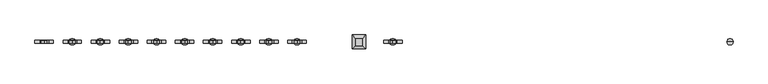
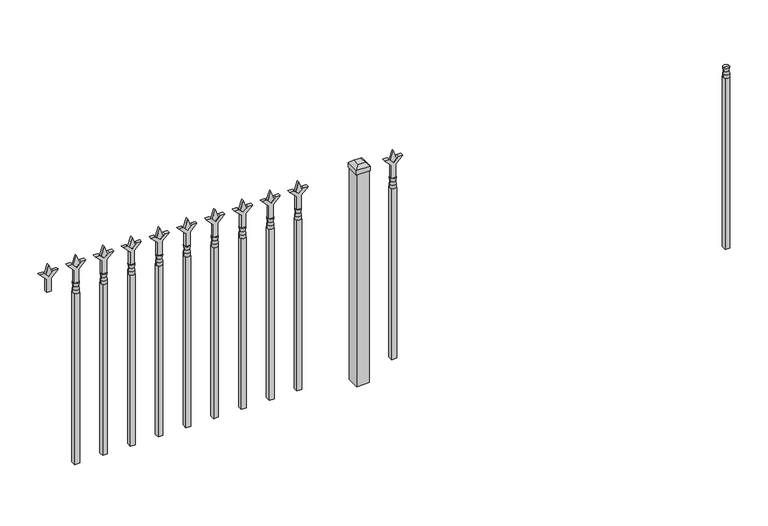
"""IFC4 building model written with IfcOpenShell, lengths in millimetres: railing geometry."""

from ifc_helpers import new_model, si_unit, frame, origin, place, context, project, spatial, polyline, circle_curve, outline, extrude, faceted_brep, source, transform, mapped, element, save
from ifc_brep_helpers import plane_surface, cylinder_surface, revolved_surface, advanced_brep


def railing_ffdeae70(model_context):
    return source(origin(), model_context, "Body", "SolidModel", [
        advanced_brep(
        [(2078.9387366, 7037.6199518, 12966.7), (2055.1262366, 7037.6199518, 12966.7), (2055.1262366, 7037.6199518, 12954.0), (2078.9387366, 7037.6199518, 12954.0), (2076.7334048, 7037.6199518, 12979.2070585), (2057.3315685, 7037.6199518, 12979.2070585), (2078.9387366, 7037.6199518, 12995.275), (2055.1262366, 7037.6199518, 12995.275), (2067.0324866, 7037.6199518, 12995.275), (2067.0324866, 7037.6199518, 12954.0)],
        [
            (0, 1, circle_curve(frame((2067.0324866, 7037.6199518, 12966.7), z_axis=(0.0, 0.0, -1.0), x_axis=(-1.0, 0.0, 0.0)), 11.90625)),
            (1, 2),
            (2, 3, circle_curve(frame((2067.0324866, 7037.6199518, 12954.0), z_axis=(0.0, 0.0, 1.0), x_axis=(-1.0, 0.0, 0.0)), 11.90625)),
            (3, 0),
            (1, 0, circle_curve(frame((2067.0324866, 7037.6199518, 12966.7), z_axis=(0.0, 0.0, -1.0), x_axis=(-1.0, 0.0, 0.0)), 11.90625)),
            (3, 2, circle_curve(frame((2067.0324866, 7037.6199518, 12954.0), z_axis=(0.0, 0.0, 1.0), x_axis=(-1.0, 0.0, 0.0)), 11.90625)),
            (4, 5, circle_curve(frame((2067.0324866, 7037.6199518, 12979.2070585), z_axis=(0.0, 0.0, -1.0), x_axis=(-1.0, 0.0, 0.0)), 9.7009181)),
            (5, 1),
            (0, 4),
            (5, 4, circle_curve(frame((2067.0324866, 7037.6199518, 12979.2070585), z_axis=(0.0, 0.0, -1.0), x_axis=(-1.0, 0.0, 0.0)), 9.7009181)),
            (6, 7, circle_curve(frame((2067.0324866, 7037.6199518, 12995.275), z_axis=(0.0, 0.0, -1.0), x_axis=(-1.0, 0.0, 0.0)), 11.90625)),
            (7, 5),
            (4, 6),
            (7, 6, circle_curve(frame((2067.0324866, 7037.6199518, 12995.275), z_axis=(0.0, 0.0, -1.0), x_axis=(-1.0, 0.0, 0.0)), 11.90625)),
            (8, 7),
            (6, 8),
            (2, 9),
            (9, 3),
        ],
        [
            cylinder_surface(frame((2067.0324866, 7037.6199518, 12954.0), z_axis=(0.0, 0.0, 1.0), x_axis=(-1.0, 0.0, 0.0)), 11.90625),
            revolved_surface(polyline([(2055.1262366, 7037.6199518, 12966.7), (2057.3315685, 7037.6199518, 12979.2070585)]), (2067.0324866, 7037.6199518, 12954.0), (0.0, 0.0, 1.0)),
            revolved_surface(polyline([(2057.3315685, 7037.6199518, 12979.2070585), (2055.1262366, 7037.6199518, 12995.275)]), (2067.0324866, 7037.6199518, 12954.0), (0.0, 0.0, 1.0)),
            plane_surface(frame((2067.0324866, 7037.6199518, 12995.275), z_axis=(0.0, 0.0, 1.0), x_axis=(-1.0, 0.0, 0.0))),
            plane_surface(frame((2067.0324866, 7037.6199518, 12954.0), z_axis=(0.0, 0.0, -1.0), x_axis=(-1.0, 0.0, 0.0))),
        ],
        [
            (0, [[1, 2, 3, 4]]),
            (0, [[5, -4, 6, -2]]),
            (1, [[7, 8, -1, 9]]),
            (1, [[10, -9, -5, -8]]),
            (2, [[11, 12, -7, 13]]),
            (2, [[14, -13, -10, -12]]),
            (3, [[15, -11, 16]]),
            (3, [[-16, -14, -15]]),
            (4, [[-3, 17, 18]]),
            (4, [[-6, -18, -17]]),
        ],
    ),
        extrude(outline(polyline([(2057.5074866, 7047.1449518), (2076.5574866, 7047.1449518), (2076.5574866, 7028.0949518), (2057.5074866, 7028.0949518), (2057.5074866, 7047.1449518)])), frame((0.0, 0.0, 12242.8), z_axis=(0.0, 0.0, 1.0), x_axis=(1.0, 0.0, 0.0)), (0.0, 0.0, 1.0), 711.2),
        extrude(outline(polyline([(13070.68125, 767.6637366), (13106.4, 755.7574866), (13070.68125, 743.8512366), (13058.775, 755.7574866), (13070.68125, 767.6637366)])), frame((0.0, 7032.8574518, 0.0), z_axis=(0.0, 1.0, 0.0), x_axis=(0.0, 0.0, 1.0)), (0.0, 0.0, 1.0), 9.525),
        extrude(outline(polyline([(12995.275, 764.4887366), (13049.5457378, 764.4887366), (13076.7355122, 791.6785111), (13076.7355122, 773.7179989), (13058.775, 755.7574866), (13076.7355122, 737.7969744), (13076.7355122, 719.8364621), (13049.5457378, 747.0262366), (12995.275, 747.0262366), (12995.275, 764.4887366)])), frame((0.0, 7031.2699518, 0.0), z_axis=(0.0, 1.0, 0.0), x_axis=(0.0, 0.0, 1.0)), (0.0, 0.0, 1.0), 12.7),
        advanced_brep(
        [(767.6637366, 7037.6199518, 12966.7), (743.8512366, 7037.6199518, 12966.7), (743.8512366, 7037.6199518, 12954.0), (767.6637366, 7037.6199518, 12954.0), (765.4584048, 7037.6199518, 12979.2070585), (746.0565685, 7037.6199518, 12979.2070585), (767.6637366, 7037.6199518, 12995.275), (743.8512366, 7037.6199518, 12995.275), (755.7574866, 7037.6199518, 12995.275), (755.7574866, 7037.6199518, 12954.0)],
        [
            (0, 1, circle_curve(frame((755.7574866, 7037.6199518, 12966.7), z_axis=(0.0, 0.0, -1.0), x_axis=(-1.0, 0.0, 0.0)), 11.90625)),
            (1, 2),
            (2, 3, circle_curve(frame((755.7574866, 7037.6199518, 12954.0), z_axis=(0.0, 0.0, 1.0), x_axis=(-1.0, 0.0, 0.0)), 11.90625)),
            (3, 0),
            (1, 0, circle_curve(frame((755.7574866, 7037.6199518, 12966.7), z_axis=(0.0, 0.0, -1.0), x_axis=(-1.0, 0.0, 0.0)), 11.90625)),
            (3, 2, circle_curve(frame((755.7574866, 7037.6199518, 12954.0), z_axis=(0.0, 0.0, 1.0), x_axis=(-1.0, 0.0, 0.0)), 11.90625)),
            (4, 5, circle_curve(frame((755.7574866, 7037.6199518, 12979.2070585), z_axis=(0.0, 0.0, -1.0), x_axis=(-1.0, 0.0, 0.0)), 9.7009181)),
            (5, 1),
            (0, 4),
            (5, 4, circle_curve(frame((755.7574866, 7037.6199518, 12979.2070585), z_axis=(0.0, 0.0, -1.0), x_axis=(-1.0, 0.0, 0.0)), 9.7009181)),
            (6, 7, circle_curve(frame((755.7574866, 7037.6199518, 12995.275), z_axis=(0.0, 0.0, -1.0), x_axis=(-1.0, 0.0, 0.0)), 11.90625)),
            (7, 5),
            (4, 6),
            (7, 6, circle_curve(frame((755.7574866, 7037.6199518, 12995.275), z_axis=(0.0, 0.0, -1.0), x_axis=(-1.0, 0.0, 0.0)), 11.90625)),
            (8, 7),
            (6, 8),
            (2, 9),
            (9, 3),
        ],
        [
            cylinder_surface(frame((755.7574866, 7037.6199518, 12954.0), z_axis=(0.0, 0.0, 1.0), x_axis=(-1.0, 0.0, 0.0)), 11.90625),
            revolved_surface(polyline([(743.8512366, 7037.6199518, 12966.7), (746.0565685, 7037.6199518, 12979.2070585)]), (755.7574866, 7037.6199518, 12954.0), (0.0, 0.0, 1.0)),
            revolved_surface(polyline([(746.0565685, 7037.6199518, 12979.2070585), (743.8512366, 7037.6199518, 12995.275)]), (755.7574866, 7037.6199518, 12954.0), (0.0, 0.0, 1.0)),
            plane_surface(frame((755.7574866, 7037.6199518, 12995.275), z_axis=(0.0, 0.0, 1.0), x_axis=(-1.0, 0.0, 0.0))),
            plane_surface(frame((755.7574866, 7037.6199518, 12954.0), z_axis=(0.0, 0.0, -1.0), x_axis=(-1.0, 0.0, 0.0))),
        ],
        [
            (0, [[1, 2, 3, 4]]),
            (0, [[5, -4, 6, -2]]),
            (1, [[7, 8, -1, 9]]),
            (1, [[10, -9, -5, -8]]),
            (2, [[11, 12, -7, 13]]),
            (2, [[14, -13, -10, -12]]),
            (3, [[15, -11, 16]]),
            (3, [[-16, -14, -15]]),
            (4, [[-3, 17, 18]]),
            (4, [[-6, -18, -17]]),
        ],
    ),
        extrude(outline(polyline([(746.2324866, 7047.1449518), (765.2824866, 7047.1449518), (765.2824866, 7028.0949518), (746.2324866, 7028.0949518), (746.2324866, 7047.1449518)])), frame((0.0, 0.0, 12242.8), z_axis=(0.0, 0.0, 1.0), x_axis=(1.0, 0.0, 0.0)), (0.0, 0.0, 1.0), 711.2),
        faceted_brep([(597.0074866, 7064.6074518, 13093.7), (597.0074866, 7064.6074518, 13074.65), (597.0074866, 7010.6324518, 13074.65), (597.0074866, 7010.6324518, 13093.7), (609.7074866, 7051.9074518, 13106.4), (609.7074866, 7023.3324518, 13106.4), (650.9824866, 7010.6324518, 13074.65), (650.9824866, 7010.6324518, 13093.7), (638.2824866, 7023.3324518, 13106.4), (650.9824866, 7064.6074518, 13074.65), (650.9824866, 7064.6074518, 13093.7), (638.2824866, 7051.9074518, 13106.4)], [[[0, 1, 2, 3]], [[4, 0, 3, 5]], [[3, 2, 6, 7]], [[5, 3, 7, 8]], [[7, 6, 9, 10]], [[8, 7, 10, 11]], [[10, 9, 1, 0]], [[11, 10, 0, 4]], [[5, 8, 11, 4]], [[1, 9, 6, 2]]]),
        extrude(outline(polyline([(649.3949866, 7063.0199518), (649.3949866, 7012.2199518), (598.5949866, 7012.2199518), (598.5949866, 7063.0199518), (649.3949866, 7063.0199518)])), frame((0.0, 0.0, 12192.0), z_axis=(0.0, 0.0, 1.0), x_axis=(1.0, 0.0, 0.0)), (0.0, 0.0, 1.0), 882.65),
        extrude(outline(polyline([(13070.68125, 394.86582), (13106.4, 382.95957), (13070.68125, 371.05332), (13058.775, 382.95957), (13070.68125, 394.86582)])), frame((0.0, 7032.8574518, 0.0), z_axis=(0.0, 1.0, 0.0), x_axis=(0.0, 0.0, 1.0)), (0.0, 0.0, 1.0), 9.525),
        extrude(outline(polyline([(12995.275, 391.69082), (13049.5457378, 391.69082), (13076.7355122, 418.8805944), (13076.7355122, 400.9200822), (13058.775, 382.95957), (13076.7355122, 364.9990577), (13076.7355122, 347.0385455), (13049.5457378, 374.22832), (12995.275, 374.22832), (12995.275, 391.69082)])), frame((0.0, 7031.2699518, 0.0), z_axis=(0.0, 1.0, 0.0), x_axis=(0.0, 0.0, 1.0)), (0.0, 0.0, 1.0), 12.7),
        advanced_brep(
        [(394.86582, 7037.6199518, 12966.7), (371.05332, 7037.6199518, 12966.7), (371.05332, 7037.6199518, 12954.0), (394.86582, 7037.6199518, 12954.0), (392.6604881, 7037.6199518, 12979.2070585), (373.2586518, 7037.6199518, 12979.2070585), (394.86582, 7037.6199518, 12995.275), (371.05332, 7037.6199518, 12995.275), (382.95957, 7037.6199518, 12995.275), (382.95957, 7037.6199518, 12954.0)],
        [
            (0, 1, circle_curve(frame((382.95957, 7037.6199518, 12966.7), z_axis=(0.0, 0.0, -1.0), x_axis=(-1.0, 0.0, 0.0)), 11.90625)),
            (1, 2),
            (2, 3, circle_curve(frame((382.95957, 7037.6199518, 12954.0), z_axis=(0.0, 0.0, 1.0), x_axis=(-1.0, 0.0, 0.0)), 11.90625)),
            (3, 0),
            (1, 0, circle_curve(frame((382.95957, 7037.6199518, 12966.7), z_axis=(0.0, 0.0, -1.0), x_axis=(-1.0, 0.0, 0.0)), 11.90625)),
            (3, 2, circle_curve(frame((382.95957, 7037.6199518, 12954.0), z_axis=(0.0, 0.0, 1.0), x_axis=(-1.0, 0.0, 0.0)), 11.90625)),
            (4, 5, circle_curve(frame((382.95957, 7037.6199518, 12979.2070585), z_axis=(0.0, 0.0, -1.0), x_axis=(-1.0, 0.0, 0.0)), 9.7009181)),
            (5, 1),
            (0, 4),
            (5, 4, circle_curve(frame((382.95957, 7037.6199518, 12979.2070585), z_axis=(0.0, 0.0, -1.0), x_axis=(-1.0, 0.0, 0.0)), 9.7009181)),
            (6, 7, circle_curve(frame((382.95957, 7037.6199518, 12995.275), z_axis=(0.0, 0.0, -1.0), x_axis=(-1.0, 0.0, 0.0)), 11.90625)),
            (7, 5),
            (4, 6),
            (7, 6, circle_curve(frame((382.95957, 7037.6199518, 12995.275), z_axis=(0.0, 0.0, -1.0), x_axis=(-1.0, 0.0, 0.0)), 11.90625)),
            (8, 7),
            (6, 8),
            (2, 9),
            (9, 3),
        ],
        [
            cylinder_surface(frame((382.95957, 7037.6199518, 12954.0), z_axis=(0.0, 0.0, 1.0), x_axis=(-1.0, 0.0, 0.0)), 11.90625),
            revolved_surface(polyline([(371.05332, 7037.6199518, 12966.7), (373.2586518, 7037.6199518, 12979.2070585)]), (382.95957, 7037.6199518, 12954.0), (0.0, 0.0, 1.0)),
            revolved_surface(polyline([(373.2586518, 7037.6199518, 12979.2070585), (371.05332, 7037.6199518, 12995.275)]), (382.95957, 7037.6199518, 12954.0), (0.0, 0.0, 1.0)),
            plane_surface(frame((382.95957, 7037.6199518, 12995.275), z_axis=(0.0, 0.0, 1.0), x_axis=(-1.0, 0.0, 0.0))),
            plane_surface(frame((382.95957, 7037.6199518, 12954.0), z_axis=(0.0, 0.0, -1.0), x_axis=(-1.0, 0.0, 0.0))),
        ],
        [
            (0, [[1, 2, 3, 4]]),
            (0, [[5, -4, 6, -2]]),
            (1, [[7, 8, -1, 9]]),
            (1, [[10, -9, -5, -8]]),
            (2, [[11, 12, -7, 13]]),
            (2, [[14, -13, -10, -12]]),
            (3, [[15, -11, 16]]),
            (3, [[-16, -14, -15]]),
            (4, [[-3, 17, 18]]),
            (4, [[-6, -18, -17]]),
        ],
    ),
        extrude(outline(polyline([(373.43457, 7047.1449518), (392.48457, 7047.1449518), (392.48457, 7028.0949518), (373.43457, 7028.0949518), (373.43457, 7047.1449518)])), frame((0.0, 0.0, 12242.8), z_axis=(0.0, 0.0, 1.0), x_axis=(1.0, 0.0, 0.0)), (0.0, 0.0, 1.0), 711.2),
        extrude(outline(polyline([(13070.68125, 285.5929033), (13106.4, 273.6866533), (13070.68125, 261.7804033), (13058.775, 273.6866533), (13070.68125, 285.5929033)])), frame((0.0, 7032.8574518, 0.0), z_axis=(0.0, 1.0, 0.0), x_axis=(0.0, 0.0, 1.0)), (0.0, 0.0, 1.0), 9.525),
        extrude(outline(polyline([(12995.275, 282.4179033), (13049.5457378, 282.4179033), (13076.7355122, 309.6076778), (13076.7355122, 291.6471655), (13058.775, 273.6866533), (13076.7355122, 255.726141), (13076.7355122, 237.7656288), (13049.5457378, 264.9554033), (12995.275, 264.9554033), (12995.275, 282.4179033)])), frame((0.0, 7031.2699518, 0.0), z_axis=(0.0, 1.0, 0.0), x_axis=(0.0, 0.0, 1.0)), (0.0, 0.0, 1.0), 12.7),
        advanced_brep(
        [(285.5929033, 7037.6199518, 12966.7), (261.7804033, 7037.6199518, 12966.7), (261.7804033, 7037.6199518, 12954.0), (285.5929033, 7037.6199518, 12954.0), (283.3875714, 7037.6199518, 12979.2070585), (263.9857351, 7037.6199518, 12979.2070585), (285.5929033, 7037.6199518, 12995.275), (261.7804033, 7037.6199518, 12995.275), (273.6866533, 7037.6199518, 12995.275), (273.6866533, 7037.6199518, 12954.0)],
        [
            (0, 1, circle_curve(frame((273.6866533, 7037.6199518, 12966.7), z_axis=(0.0, 0.0, -1.0), x_axis=(-1.0, 0.0, 0.0)), 11.90625)),
            (1, 2),
            (2, 3, circle_curve(frame((273.6866533, 7037.6199518, 12954.0), z_axis=(0.0, 0.0, 1.0), x_axis=(-1.0, 0.0, 0.0)), 11.90625)),
            (3, 0),
            (1, 0, circle_curve(frame((273.6866533, 7037.6199518, 12966.7), z_axis=(0.0, 0.0, -1.0), x_axis=(-1.0, 0.0, 0.0)), 11.90625)),
            (3, 2, circle_curve(frame((273.6866533, 7037.6199518, 12954.0), z_axis=(0.0, 0.0, 1.0), x_axis=(-1.0, 0.0, 0.0)), 11.90625)),
            (4, 5, circle_curve(frame((273.6866533, 7037.6199518, 12979.2070585), z_axis=(0.0, 0.0, -1.0), x_axis=(-1.0, 0.0, 0.0)), 9.7009181)),
            (5, 1),
            (0, 4),
            (5, 4, circle_curve(frame((273.6866533, 7037.6199518, 12979.2070585), z_axis=(0.0, 0.0, -1.0), x_axis=(-1.0, 0.0, 0.0)), 9.7009181)),
            (6, 7, circle_curve(frame((273.6866533, 7037.6199518, 12995.275), z_axis=(0.0, 0.0, -1.0), x_axis=(-1.0, 0.0, 0.0)), 11.90625)),
            (7, 5),
            (4, 6),
            (7, 6, circle_curve(frame((273.6866533, 7037.6199518, 12995.275), z_axis=(0.0, 0.0, -1.0), x_axis=(-1.0, 0.0, 0.0)), 11.90625)),
            (8, 7),
            (6, 8),
            (2, 9),
            (9, 3),
        ],
        [
            cylinder_surface(frame((273.6866533, 7037.6199518, 12954.0), z_axis=(0.0, 0.0, 1.0), x_axis=(-1.0, 0.0, 0.0)), 11.90625),
            revolved_surface(polyline([(261.7804033, 7037.6199518, 12966.7), (263.9857351, 7037.6199518, 12979.2070585)]), (273.6866533, 7037.6199518, 12954.0), (0.0, 0.0, 1.0)),
            revolved_surface(polyline([(263.9857351, 7037.6199518, 12979.2070585), (261.7804033, 7037.6199518, 12995.275)]), (273.6866533, 7037.6199518, 12954.0), (0.0, 0.0, 1.0)),
            plane_surface(frame((273.6866533, 7037.6199518, 12995.275), z_axis=(0.0, 0.0, 1.0), x_axis=(-1.0, 0.0, 0.0))),
            plane_surface(frame((273.6866533, 7037.6199518, 12954.0), z_axis=(0.0, 0.0, -1.0), x_axis=(-1.0, 0.0, 0.0))),
        ],
        [
            (0, [[1, 2, 3, 4]]),
            (0, [[5, -4, 6, -2]]),
            (1, [[7, 8, -1, 9]]),
            (1, [[10, -9, -5, -8]]),
            (2, [[11, 12, -7, 13]]),
            (2, [[14, -13, -10, -12]]),
            (3, [[15, -11, 16]]),
            (3, [[-16, -14, -15]]),
            (4, [[-3, 17, 18]]),
            (4, [[-6, -18, -17]]),
        ],
    ),
        extrude(outline(polyline([(264.1616533, 7047.1449518), (283.2116533, 7047.1449518), (283.2116533, 7028.0949518), (264.1616533, 7028.0949518), (264.1616533, 7047.1449518)])), frame((0.0, 0.0, 12242.8), z_axis=(0.0, 0.0, 1.0), x_axis=(1.0, 0.0, 0.0)), (0.0, 0.0, 1.0), 711.2),
        extrude(outline(polyline([(13070.68125, 176.3199866), (13106.4, 164.4137366), (13070.68125, 152.5074866), (13058.775, 164.4137366), (13070.68125, 176.3199866)])), frame((0.0, 7032.8574518, 0.0), z_axis=(0.0, 1.0, 0.0), x_axis=(0.0, 0.0, 1.0)), (0.0, 0.0, 1.0), 9.525),
        extrude(outline(polyline([(12995.275, 173.1449866), (13049.5457378, 173.1449866), (13076.7355122, 200.3347611), (13076.7355122, 182.3742489), (13058.775, 164.4137366), (13076.7355122, 146.4532244), (13076.7355122, 128.4927121), (13049.5457378, 155.6824866), (12995.275, 155.6824866), (12995.275, 173.1449866)])), frame((0.0, 7031.2699518, 0.0), z_axis=(0.0, 1.0, 0.0), x_axis=(0.0, 0.0, 1.0)), (0.0, 0.0, 1.0), 12.7),
        advanced_brep(
        [(176.3199866, 7037.6199518, 12966.7), (152.5074866, 7037.6199518, 12966.7), (152.5074866, 7037.6199518, 12954.0), (176.3199866, 7037.6199518, 12954.0), (174.1146548, 7037.6199518, 12979.2070585), (154.7128185, 7037.6199518, 12979.2070585), (176.3199866, 7037.6199518, 12995.275), (152.5074866, 7037.6199518, 12995.275), (164.4137366, 7037.6199518, 12995.275), (164.4137366, 7037.6199518, 12954.0)],
        [
            (0, 1, circle_curve(frame((164.4137366, 7037.6199518, 12966.7), z_axis=(0.0, 0.0, -1.0), x_axis=(-1.0, 0.0, 0.0)), 11.90625)),
            (1, 2),
            (2, 3, circle_curve(frame((164.4137366, 7037.6199518, 12954.0), z_axis=(0.0, 0.0, 1.0), x_axis=(-1.0, 0.0, 0.0)), 11.90625)),
            (3, 0),
            (1, 0, circle_curve(frame((164.4137366, 7037.6199518, 12966.7), z_axis=(0.0, 0.0, -1.0), x_axis=(-1.0, 0.0, 0.0)), 11.90625)),
            (3, 2, circle_curve(frame((164.4137366, 7037.6199518, 12954.0), z_axis=(0.0, 0.0, 1.0), x_axis=(-1.0, 0.0, 0.0)), 11.90625)),
            (4, 5, circle_curve(frame((164.4137366, 7037.6199518, 12979.2070585), z_axis=(0.0, 0.0, -1.0), x_axis=(-1.0, 0.0, 0.0)), 9.7009181)),
            (5, 1),
            (0, 4),
            (5, 4, circle_curve(frame((164.4137366, 7037.6199518, 12979.2070585), z_axis=(0.0, 0.0, -1.0), x_axis=(-1.0, 0.0, 0.0)), 9.7009181)),
            (6, 7, circle_curve(frame((164.4137366, 7037.6199518, 12995.275), z_axis=(0.0, 0.0, -1.0), x_axis=(-1.0, 0.0, 0.0)), 11.90625)),
            (7, 5),
            (4, 6),
            (7, 6, circle_curve(frame((164.4137366, 7037.6199518, 12995.275), z_axis=(0.0, 0.0, -1.0), x_axis=(-1.0, 0.0, 0.0)), 11.90625)),
            (8, 7),
            (6, 8),
            (2, 9),
            (9, 3),
        ],
        [
            cylinder_surface(frame((164.4137366, 7037.6199518, 12954.0), z_axis=(0.0, 0.0, 1.0), x_axis=(-1.0, 0.0, 0.0)), 11.90625),
            revolved_surface(polyline([(152.5074866, 7037.6199518, 12966.7), (154.7128185, 7037.6199518, 12979.2070585)]), (164.4137366, 7037.6199518, 12954.0), (0.0, 0.0, 1.0)),
            revolved_surface(polyline([(154.7128185, 7037.6199518, 12979.2070585), (152.5074866, 7037.6199518, 12995.275)]), (164.4137366, 7037.6199518, 12954.0), (0.0, 0.0, 1.0)),
            plane_surface(frame((164.4137366, 7037.6199518, 12995.275), z_axis=(0.0, 0.0, 1.0), x_axis=(-1.0, 0.0, 0.0))),
            plane_surface(frame((164.4137366, 7037.6199518, 12954.0), z_axis=(0.0, 0.0, -1.0), x_axis=(-1.0, 0.0, 0.0))),
        ],
        [
            (0, [[1, 2, 3, 4]]),
            (0, [[5, -4, 6, -2]]),
            (1, [[7, 8, -1, 9]]),
            (1, [[10, -9, -5, -8]]),
            (2, [[11, 12, -7, 13]]),
            (2, [[14, -13, -10, -12]]),
            (3, [[15, -11, 16]]),
            (3, [[-16, -14, -15]]),
            (4, [[-3, 17, 18]]),
            (4, [[-6, -18, -17]]),
        ],
    ),
        extrude(outline(polyline([(154.8887366, 7047.1449518), (173.9387366, 7047.1449518), (173.9387366, 7028.0949518), (154.8887366, 7028.0949518), (154.8887366, 7047.1449518)])), frame((0.0, 0.0, 12242.8), z_axis=(0.0, 0.0, 1.0), x_axis=(1.0, 0.0, 0.0)), (0.0, 0.0, 1.0), 711.2),
        extrude(outline(polyline([(13070.68125, 67.04707), (13106.4, 55.14082), (13070.68125, 43.23457), (13058.775, 55.14082), (13070.68125, 67.04707)])), frame((0.0, 7032.8574518, 0.0), z_axis=(0.0, 1.0, 0.0), x_axis=(0.0, 0.0, 1.0)), (0.0, 0.0, 1.0), 9.525),
        extrude(outline(polyline([(12995.275, 63.87207), (13049.5457378, 63.87207), (13076.7355122, 91.0618444), (13076.7355122, 73.1013322), (13058.775, 55.14082), (13076.7355122, 37.1803077), (13076.7355122, 19.2197955), (13049.5457378, 46.40957), (12995.275, 46.40957), (12995.275, 63.87207)])), frame((0.0, 7031.2699518, 0.0), z_axis=(0.0, 1.0, 0.0), x_axis=(0.0, 0.0, 1.0)), (0.0, 0.0, 1.0), 12.7),
        advanced_brep(
        [(67.04707, 7037.6199518, 12966.7), (43.23457, 7037.6199518, 12966.7), (43.23457, 7037.6199518, 12954.0), (67.04707, 7037.6199518, 12954.0), (64.8417381, 7037.6199518, 12979.2070585), (45.4399018, 7037.6199518, 12979.2070585), (67.04707, 7037.6199518, 12995.275), (43.23457, 7037.6199518, 12995.275), (55.14082, 7037.6199518, 12995.275), (55.14082, 7037.6199518, 12954.0)],
        [
            (0, 1, circle_curve(frame((55.14082, 7037.6199518, 12966.7), z_axis=(0.0, 0.0, -1.0), x_axis=(-1.0, 0.0, 0.0)), 11.90625)),
            (1, 2),
            (2, 3, circle_curve(frame((55.14082, 7037.6199518, 12954.0), z_axis=(0.0, 0.0, 1.0), x_axis=(-1.0, 0.0, 0.0)), 11.90625)),
            (3, 0),
            (1, 0, circle_curve(frame((55.14082, 7037.6199518, 12966.7), z_axis=(0.0, 0.0, -1.0), x_axis=(-1.0, 0.0, 0.0)), 11.90625)),
            (3, 2, circle_curve(frame((55.14082, 7037.6199518, 12954.0), z_axis=(0.0, 0.0, 1.0), x_axis=(-1.0, 0.0, 0.0)), 11.90625)),
            (4, 5, circle_curve(frame((55.14082, 7037.6199518, 12979.2070585), z_axis=(0.0, 0.0, -1.0), x_axis=(-1.0, 0.0, 0.0)), 9.7009181)),
            (5, 1),
            (0, 4),
            (5, 4, circle_curve(frame((55.14082, 7037.6199518, 12979.2070585), z_axis=(0.0, 0.0, -1.0), x_axis=(-1.0, 0.0, 0.0)), 9.7009181)),
            (6, 7, circle_curve(frame((55.14082, 7037.6199518, 12995.275), z_axis=(0.0, 0.0, -1.0), x_axis=(-1.0, 0.0, 0.0)), 11.90625)),
            (7, 5),
            (4, 6),
            (7, 6, circle_curve(frame((55.14082, 7037.6199518, 12995.275), z_axis=(0.0, 0.0, -1.0), x_axis=(-1.0, 0.0, 0.0)), 11.90625)),
            (8, 7),
            (6, 8),
            (2, 9),
            (9, 3),
        ],
        [
            cylinder_surface(frame((55.14082, 7037.6199518, 12954.0), z_axis=(0.0, 0.0, 1.0), x_axis=(-1.0, 0.0, 0.0)), 11.90625),
            revolved_surface(polyline([(43.23457, 7037.6199518, 12966.7), (45.4399018, 7037.6199518, 12979.2070585)]), (55.14082, 7037.6199518, 12954.0), (0.0, 0.0, 1.0)),
            revolved_surface(polyline([(45.4399018, 7037.6199518, 12979.2070585), (43.23457, 7037.6199518, 12995.275)]), (55.14082, 7037.6199518, 12954.0), (0.0, 0.0, 1.0)),
            plane_surface(frame((55.14082, 7037.6199518, 12995.275), z_axis=(0.0, 0.0, 1.0), x_axis=(-1.0, 0.0, 0.0))),
            plane_surface(frame((55.14082, 7037.6199518, 12954.0), z_axis=(0.0, 0.0, -1.0), x_axis=(-1.0, 0.0, 0.0))),
        ],
        [
            (0, [[1, 2, 3, 4]]),
            (0, [[5, -4, 6, -2]]),
            (1, [[7, 8, -1, 9]]),
            (1, [[10, -9, -5, -8]]),
            (2, [[11, 12, -7, 13]]),
            (2, [[14, -13, -10, -12]]),
            (3, [[15, -11, 16]]),
            (3, [[-16, -14, -15]]),
            (4, [[-3, 17, 18]]),
            (4, [[-6, -18, -17]]),
        ],
    ),
        extrude(outline(polyline([(45.61582, 7047.1449518), (64.66582, 7047.1449518), (64.66582, 7028.0949518), (45.61582, 7028.0949518), (45.61582, 7047.1449518)])), frame((0.0, 0.0, 12242.8), z_axis=(0.0, 0.0, 1.0), x_axis=(1.0, 0.0, 0.0)), (0.0, 0.0, 1.0), 711.2),
        extrude(outline(polyline([(13070.68125, -42.2258467), (13106.4, -54.1320967), (13070.68125, -66.0383467), (13058.775, -54.1320967), (13070.68125, -42.2258467)])), frame((0.0, 7032.8574518, 0.0), z_axis=(0.0, 1.0, 0.0), x_axis=(0.0, 0.0, 1.0)), (0.0, 0.0, 1.0), 9.525),
        extrude(outline(polyline([(12995.275, -45.4008467), (13049.5457378, -45.4008467), (13076.7355122, -18.2110722), (13076.7355122, -36.1715845), (13058.775, -54.1320967), (13076.7355122, -72.092609), (13076.7355122, -90.0531212), (13049.5457378, -62.8633467), (12995.275, -62.8633467), (12995.275, -45.4008467)])), frame((0.0, 7031.2699518, 0.0), z_axis=(0.0, 1.0, 0.0), x_axis=(0.0, 0.0, 1.0)), (0.0, 0.0, 1.0), 12.7),
        advanced_brep(
        [(-42.2258467, 7037.6199518, 12966.7), (-66.0383467, 7037.6199518, 12966.7), (-66.0383467, 7037.6199518, 12954.0), (-42.2258467, 7037.6199518, 12954.0), (-44.4311786, 7037.6199518, 12979.2070585), (-63.8330149, 7037.6199518, 12979.2070585), (-42.2258467, 7037.6199518, 12995.275), (-66.0383467, 7037.6199518, 12995.275), (-54.1320967, 7037.6199518, 12995.275), (-54.1320967, 7037.6199518, 12954.0)],
        [
            (0, 1, circle_curve(frame((-54.1320967, 7037.6199518, 12966.7), z_axis=(0.0, 0.0, -1.0), x_axis=(-1.0, 0.0, 0.0)), 11.90625)),
            (1, 2),
            (2, 3, circle_curve(frame((-54.1320967, 7037.6199518, 12954.0), z_axis=(0.0, 0.0, 1.0), x_axis=(-1.0, 0.0, 0.0)), 11.90625)),
            (3, 0),
            (1, 0, circle_curve(frame((-54.1320967, 7037.6199518, 12966.7), z_axis=(0.0, 0.0, -1.0), x_axis=(-1.0, 0.0, 0.0)), 11.90625)),
            (3, 2, circle_curve(frame((-54.1320967, 7037.6199518, 12954.0), z_axis=(0.0, 0.0, 1.0), x_axis=(-1.0, 0.0, 0.0)), 11.90625)),
            (4, 5, circle_curve(frame((-54.1320967, 7037.6199518, 12979.2070585), z_axis=(0.0, 0.0, -1.0), x_axis=(-1.0, 0.0, 0.0)), 9.7009181)),
            (5, 1),
            (0, 4),
            (5, 4, circle_curve(frame((-54.1320967, 7037.6199518, 12979.2070585), z_axis=(0.0, 0.0, -1.0), x_axis=(-1.0, 0.0, 0.0)), 9.7009181)),
            (6, 7, circle_curve(frame((-54.1320967, 7037.6199518, 12995.275), z_axis=(0.0, 0.0, -1.0), x_axis=(-1.0, 0.0, 0.0)), 11.90625)),
            (7, 5),
            (4, 6),
            (7, 6, circle_curve(frame((-54.1320967, 7037.6199518, 12995.275), z_axis=(0.0, 0.0, -1.0), x_axis=(-1.0, 0.0, 0.0)), 11.90625)),
            (8, 7),
            (6, 8),
            (2, 9),
            (9, 3),
        ],
        [
            cylinder_surface(frame((-54.1320967, 7037.6199518, 12954.0), z_axis=(0.0, 0.0, 1.0), x_axis=(-1.0, 0.0, 0.0)), 11.90625),
            revolved_surface(polyline([(-66.0383467, 7037.6199518, 12966.7), (-63.8330149, 7037.6199518, 12979.2070585)]), (-54.1320967, 7037.6199518, 12954.0), (0.0, 0.0, 1.0)),
            revolved_surface(polyline([(-63.8330149, 7037.6199518, 12979.2070585), (-66.0383467, 7037.6199518, 12995.275)]), (-54.1320967, 7037.6199518, 12954.0), (0.0, 0.0, 1.0)),
            plane_surface(frame((-54.1320967, 7037.6199518, 12995.275), z_axis=(0.0, 0.0, 1.0), x_axis=(-1.0, 0.0, 0.0))),
            plane_surface(frame((-54.1320967, 7037.6199518, 12954.0), z_axis=(0.0, 0.0, -1.0), x_axis=(-1.0, 0.0, 0.0))),
        ],
        [
            (0, [[1, 2, 3, 4]]),
            (0, [[5, -4, 6, -2]]),
            (1, [[7, 8, -1, 9]]),
            (1, [[10, -9, -5, -8]]),
            (2, [[11, 12, -7, 13]]),
            (2, [[14, -13, -10, -12]]),
            (3, [[15, -11, 16]]),
            (3, [[-16, -14, -15]]),
            (4, [[-3, 17, 18]]),
            (4, [[-6, -18, -17]]),
        ],
    ),
        extrude(outline(polyline([(-63.6570967, 7047.1449518), (-44.6070967, 7047.1449518), (-44.6070967, 7028.0949518), (-63.6570967, 7028.0949518), (-63.6570967, 7047.1449518)])), frame((0.0, 0.0, 12242.8), z_axis=(0.0, 0.0, 1.0), x_axis=(1.0, 0.0, 0.0)), (0.0, 0.0, 1.0), 711.2),
        extrude(outline(polyline([(13070.68125, -151.4987634), (13106.4, -163.4050134), (13070.68125, -175.3112634), (13058.775, -163.4050134), (13070.68125, -151.4987634)])), frame((0.0, 7032.8574518, 0.0), z_axis=(0.0, 1.0, 0.0), x_axis=(0.0, 0.0, 1.0)), (0.0, 0.0, 1.0), 9.525),
        extrude(outline(polyline([(12995.275, -154.6737634), (13049.5457378, -154.6737634), (13076.7355122, -127.4839889), (13076.7355122, -145.4445011), (13058.775, -163.4050134), (13076.7355122, -181.3655256), (13076.7355122, -199.3260379), (13049.5457378, -172.1362634), (12995.275, -172.1362634), (12995.275, -154.6737634)])), frame((0.0, 7031.2699518, 0.0), z_axis=(0.0, 1.0, 0.0), x_axis=(0.0, 0.0, 1.0)), (0.0, 0.0, 1.0), 12.7),
        advanced_brep(
        [(-151.4987634, 7037.6199518, 12966.7), (-175.3112634, 7037.6199518, 12966.7), (-175.3112634, 7037.6199518, 12954.0), (-151.4987634, 7037.6199518, 12954.0), (-153.7040952, 7037.6199518, 12979.2070585), (-173.1059315, 7037.6199518, 12979.2070585), (-151.4987634, 7037.6199518, 12995.275), (-175.3112634, 7037.6199518, 12995.275), (-163.4050134, 7037.6199518, 12995.275), (-163.4050134, 7037.6199518, 12954.0)],
        [
            (0, 1, circle_curve(frame((-163.4050134, 7037.6199518, 12966.7), z_axis=(0.0, 0.0, -1.0), x_axis=(-1.0, 0.0, 0.0)), 11.90625)),
            (1, 2),
            (2, 3, circle_curve(frame((-163.4050134, 7037.6199518, 12954.0), z_axis=(0.0, 0.0, 1.0), x_axis=(-1.0, 0.0, 0.0)), 11.90625)),
            (3, 0),
            (1, 0, circle_curve(frame((-163.4050134, 7037.6199518, 12966.7), z_axis=(0.0, 0.0, -1.0), x_axis=(-1.0, 0.0, 0.0)), 11.90625)),
            (3, 2, circle_curve(frame((-163.4050134, 7037.6199518, 12954.0), z_axis=(0.0, 0.0, 1.0), x_axis=(-1.0, 0.0, 0.0)), 11.90625)),
            (4, 5, circle_curve(frame((-163.4050134, 7037.6199518, 12979.2070585), z_axis=(0.0, 0.0, -1.0), x_axis=(-1.0, 0.0, 0.0)), 9.7009181)),
            (5, 1),
            (0, 4),
            (5, 4, circle_curve(frame((-163.4050134, 7037.6199518, 12979.2070585), z_axis=(0.0, 0.0, -1.0), x_axis=(-1.0, 0.0, 0.0)), 9.7009181)),
            (6, 7, circle_curve(frame((-163.4050134, 7037.6199518, 12995.275), z_axis=(0.0, 0.0, -1.0), x_axis=(-1.0, 0.0, 0.0)), 11.90625)),
            (7, 5),
            (4, 6),
            (7, 6, circle_curve(frame((-163.4050134, 7037.6199518, 12995.275), z_axis=(0.0, 0.0, -1.0), x_axis=(-1.0, 0.0, 0.0)), 11.90625)),
            (8, 7),
            (6, 8),
            (2, 9),
            (9, 3),
        ],
        [
            cylinder_surface(frame((-163.4050134, 7037.6199518, 12954.0), z_axis=(0.0, 0.0, 1.0), x_axis=(-1.0, 0.0, 0.0)), 11.90625),
            revolved_surface(polyline([(-175.3112634, 7037.6199518, 12966.7), (-173.1059315, 7037.6199518, 12979.2070585)]), (-163.4050134, 7037.6199518, 12954.0), (0.0, 0.0, 1.0)),
            revolved_surface(polyline([(-173.1059315, 7037.6199518, 12979.2070585), (-175.3112634, 7037.6199518, 12995.275)]), (-163.4050134, 7037.6199518, 12954.0), (0.0, 0.0, 1.0)),
            plane_surface(frame((-163.4050134, 7037.6199518, 12995.275), z_axis=(0.0, 0.0, 1.0), x_axis=(-1.0, 0.0, 0.0))),
            plane_surface(frame((-163.4050134, 7037.6199518, 12954.0), z_axis=(0.0, 0.0, -1.0), x_axis=(-1.0, 0.0, 0.0))),
        ],
        [
            (0, [[1, 2, 3, 4]]),
            (0, [[5, -4, 6, -2]]),
            (1, [[7, 8, -1, 9]]),
            (1, [[10, -9, -5, -8]]),
            (2, [[11, 12, -7, 13]]),
            (2, [[14, -13, -10, -12]]),
            (3, [[15, -11, 16]]),
            (3, [[-16, -14, -15]]),
            (4, [[-3, 17, 18]]),
            (4, [[-6, -18, -17]]),
        ],
    ),
        extrude(outline(polyline([(-172.9300134, 7047.1449518), (-153.8800134, 7047.1449518), (-153.8800134, 7028.0949518), (-172.9300134, 7028.0949518), (-172.9300134, 7047.1449518)])), frame((0.0, 0.0, 12242.8), z_axis=(0.0, 0.0, 1.0), x_axis=(1.0, 0.0, 0.0)), (0.0, 0.0, 1.0), 711.2),
        extrude(outline(polyline([(13070.68125, -260.77168), (13106.4, -272.67793), (13070.68125, -284.58418), (13058.775, -272.67793), (13070.68125, -260.77168)])), frame((0.0, 7032.8574518, 0.0), z_axis=(0.0, 1.0, 0.0), x_axis=(0.0, 0.0, 1.0)), (0.0, 0.0, 1.0), 9.525),
        extrude(outline(polyline([(12995.275, -263.94668), (13049.5457378, -263.94668), (13076.7355122, -236.7569056), (13076.7355122, -254.7174178), (13058.775, -272.67793), (13076.7355122, -290.6384423), (13076.7355122, -308.5989545), (13049.5457378, -281.40918), (12995.275, -281.40918), (12995.275, -263.94668)])), frame((0.0, 7031.2699518, 0.0), z_axis=(0.0, 1.0, 0.0), x_axis=(0.0, 0.0, 1.0)), (0.0, 0.0, 1.0), 12.7),
        advanced_brep(
        [(-260.77168, 7037.6199518, 12966.7), (-284.58418, 7037.6199518, 12966.7), (-284.58418, 7037.6199518, 12954.0), (-260.77168, 7037.6199518, 12954.0), (-262.9770119, 7037.6199518, 12979.2070585), (-282.3788482, 7037.6199518, 12979.2070585), (-260.77168, 7037.6199518, 12995.275), (-284.58418, 7037.6199518, 12995.275), (-272.67793, 7037.6199518, 12995.275), (-272.67793, 7037.6199518, 12954.0)],
        [
            (0, 1, circle_curve(frame((-272.67793, 7037.6199518, 12966.7), z_axis=(0.0, 0.0, -1.0), x_axis=(-1.0, 0.0, 0.0)), 11.90625)),
            (1, 2),
            (2, 3, circle_curve(frame((-272.67793, 7037.6199518, 12954.0), z_axis=(0.0, 0.0, 1.0), x_axis=(-1.0, 0.0, 0.0)), 11.90625)),
            (3, 0),
            (1, 0, circle_curve(frame((-272.67793, 7037.6199518, 12966.7), z_axis=(0.0, 0.0, -1.0), x_axis=(-1.0, 0.0, 0.0)), 11.90625)),
            (3, 2, circle_curve(frame((-272.67793, 7037.6199518, 12954.0), z_axis=(0.0, 0.0, 1.0), x_axis=(-1.0, 0.0, 0.0)), 11.90625)),
            (4, 5, circle_curve(frame((-272.67793, 7037.6199518, 12979.2070585), z_axis=(0.0, 0.0, -1.0), x_axis=(-1.0, 0.0, 0.0)), 9.7009181)),
            (5, 1),
            (0, 4),
            (5, 4, circle_curve(frame((-272.67793, 7037.6199518, 12979.2070585), z_axis=(0.0, 0.0, -1.0), x_axis=(-1.0, 0.0, 0.0)), 9.7009181)),
            (6, 7, circle_curve(frame((-272.67793, 7037.6199518, 12995.275), z_axis=(0.0, 0.0, -1.0), x_axis=(-1.0, 0.0, 0.0)), 11.90625)),
            (7, 5),
            (4, 6),
            (7, 6, circle_curve(frame((-272.67793, 7037.6199518, 12995.275), z_axis=(0.0, 0.0, -1.0), x_axis=(-1.0, 0.0, 0.0)), 11.90625)),
            (8, 7),
            (6, 8),
            (2, 9),
            (9, 3),
        ],
        [
            cylinder_surface(frame((-272.67793, 7037.6199518, 12954.0), z_axis=(0.0, 0.0, 1.0), x_axis=(-1.0, 0.0, 0.0)), 11.90625),
            revolved_surface(polyline([(-284.58418, 7037.6199518, 12966.7), (-282.3788482, 7037.6199518, 12979.2070585)]), (-272.67793, 7037.6199518, 12954.0), (0.0, 0.0, 1.0)),
            revolved_surface(polyline([(-282.3788482, 7037.6199518, 12979.2070585), (-284.58418, 7037.6199518, 12995.275)]), (-272.67793, 7037.6199518, 12954.0), (0.0, 0.0, 1.0)),
            plane_surface(frame((-272.67793, 7037.6199518, 12995.275), z_axis=(0.0, 0.0, 1.0), x_axis=(-1.0, 0.0, 0.0))),
            plane_surface(frame((-272.67793, 7037.6199518, 12954.0), z_axis=(0.0, 0.0, -1.0), x_axis=(-1.0, 0.0, 0.0))),
        ],
        [
            (0, [[1, 2, 3, 4]]),
            (0, [[5, -4, 6, -2]]),
            (1, [[7, 8, -1, 9]]),
            (1, [[10, -9, -5, -8]]),
            (2, [[11, 12, -7, 13]]),
            (2, [[14, -13, -10, -12]]),
            (3, [[15, -11, 16]]),
            (3, [[-16, -14, -15]]),
            (4, [[-3, 17, 18]]),
            (4, [[-6, -18, -17]]),
        ],
    ),
        extrude(outline(polyline([(-282.20293, 7047.1449518), (-263.15293, 7047.1449518), (-263.15293, 7028.0949518), (-282.20293, 7028.0949518), (-282.20293, 7047.1449518)])), frame((0.0, 0.0, 12242.8), z_axis=(0.0, 0.0, 1.0), x_axis=(1.0, 0.0, 0.0)), (0.0, 0.0, 1.0), 711.2),
        extrude(outline(polyline([(13070.68125, -370.0445967), (13106.4, -381.9508467), (13070.68125, -393.8570967), (13058.775, -381.9508467), (13070.68125, -370.0445967)])), frame((0.0, 7032.8574518, 0.0), z_axis=(0.0, 1.0, 0.0), x_axis=(0.0, 0.0, 1.0)), (0.0, 0.0, 1.0), 9.525),
        extrude(outline(polyline([(12995.275, -373.2195967), (13049.5457378, -373.2195967), (13076.7355122, -346.0298222), (13076.7355122, -363.9903345), (13058.775, -381.9508467), (13076.7355122, -399.911359), (13076.7355122, -417.8718712), (13049.5457378, -390.6820967), (12995.275, -390.6820967), (12995.275, -373.2195967)])), frame((0.0, 7031.2699518, 0.0), z_axis=(0.0, 1.0, 0.0), x_axis=(0.0, 0.0, 1.0)), (0.0, 0.0, 1.0), 12.7),
        advanced_brep(
        [(-370.0445967, 7037.6199518, 12966.7), (-393.8570967, 7037.6199518, 12966.7), (-393.8570967, 7037.6199518, 12954.0), (-370.0445967, 7037.6199518, 12954.0), (-372.2499286, 7037.6199518, 12979.2070585), (-391.6517649, 7037.6199518, 12979.2070585), (-370.0445967, 7037.6199518, 12995.275), (-393.8570967, 7037.6199518, 12995.275), (-381.9508467, 7037.6199518, 12995.275), (-381.9508467, 7037.6199518, 12954.0)],
        [
            (0, 1, circle_curve(frame((-381.9508467, 7037.6199518, 12966.7), z_axis=(0.0, 0.0, -1.0), x_axis=(-1.0, 0.0, 0.0)), 11.90625)),
            (1, 2),
            (2, 3, circle_curve(frame((-381.9508467, 7037.6199518, 12954.0), z_axis=(0.0, 0.0, 1.0), x_axis=(-1.0, 0.0, 0.0)), 11.90625)),
            (3, 0),
            (1, 0, circle_curve(frame((-381.9508467, 7037.6199518, 12966.7), z_axis=(0.0, 0.0, -1.0), x_axis=(-1.0, 0.0, 0.0)), 11.90625)),
            (3, 2, circle_curve(frame((-381.9508467, 7037.6199518, 12954.0), z_axis=(0.0, 0.0, 1.0), x_axis=(-1.0, 0.0, 0.0)), 11.90625)),
            (4, 5, circle_curve(frame((-381.9508467, 7037.6199518, 12979.2070585), z_axis=(0.0, 0.0, -1.0), x_axis=(-1.0, 0.0, 0.0)), 9.7009181)),
            (5, 1),
            (0, 4),
            (5, 4, circle_curve(frame((-381.9508467, 7037.6199518, 12979.2070585), z_axis=(0.0, 0.0, -1.0), x_axis=(-1.0, 0.0, 0.0)), 9.7009181)),
            (6, 7, circle_curve(frame((-381.9508467, 7037.6199518, 12995.275), z_axis=(0.0, 0.0, -1.0), x_axis=(-1.0, 0.0, 0.0)), 11.90625)),
            (7, 5),
            (4, 6),
            (7, 6, circle_curve(frame((-381.9508467, 7037.6199518, 12995.275), z_axis=(0.0, 0.0, -1.0), x_axis=(-1.0, 0.0, 0.0)), 11.90625)),
            (8, 7),
            (6, 8),
            (2, 9),
            (9, 3),
        ],
        [
            cylinder_surface(frame((-381.9508467, 7037.6199518, 12954.0), z_axis=(0.0, 0.0, 1.0), x_axis=(-1.0, 0.0, 0.0)), 11.90625),
            revolved_surface(polyline([(-393.8570967, 7037.6199518, 12966.7), (-391.6517649, 7037.6199518, 12979.2070585)]), (-381.9508467, 7037.6199518, 12954.0), (0.0, 0.0, 1.0)),
            revolved_surface(polyline([(-391.6517649, 7037.6199518, 12979.2070585), (-393.8570967, 7037.6199518, 12995.275)]), (-381.9508467, 7037.6199518, 12954.0), (0.0, 0.0, 1.0)),
            plane_surface(frame((-381.9508467, 7037.6199518, 12995.275), z_axis=(0.0, 0.0, 1.0), x_axis=(-1.0, 0.0, 0.0))),
            plane_surface(frame((-381.9508467, 7037.6199518, 12954.0), z_axis=(0.0, 0.0, -1.0), x_axis=(-1.0, 0.0, 0.0))),
        ],
        [
            (0, [[1, 2, 3, 4]]),
            (0, [[5, -4, 6, -2]]),
            (1, [[7, 8, -1, 9]]),
            (1, [[10, -9, -5, -8]]),
            (2, [[11, 12, -7, 13]]),
            (2, [[14, -13, -10, -12]]),
            (3, [[15, -11, 16]]),
            (3, [[-16, -14, -15]]),
            (4, [[-3, 17, 18]]),
            (4, [[-6, -18, -17]]),
        ],
    ),
        extrude(outline(polyline([(-391.4758467, 7047.1449518), (-372.4258467, 7047.1449518), (-372.4258467, 7028.0949518), (-391.4758467, 7028.0949518), (-391.4758467, 7047.1449518)])), frame((0.0, 0.0, 12242.8), z_axis=(0.0, 0.0, 1.0), x_axis=(1.0, 0.0, 0.0)), (0.0, 0.0, 1.0), 711.2),
        extrude(outline(polyline([(13070.68125, -479.3175134), (13106.4, -491.2237634), (13070.68125, -503.1300134), (13058.775, -491.2237634), (13070.68125, -479.3175134)])), frame((0.0, 7032.8574518, 0.0), z_axis=(0.0, 1.0, 0.0), x_axis=(0.0, 0.0, 1.0)), (0.0, 0.0, 1.0), 9.525),
        extrude(outline(polyline([(12995.275, -482.4925134), (13049.5457378, -482.4925134), (13076.7355122, -455.3027389), (13076.7355122, -473.2632511), (13058.775, -491.2237634), (13076.7355122, -509.1842756), (13076.7355122, -527.1447879), (13049.5457378, -499.9550134), (12995.275, -499.9550134), (12995.275, -482.4925134)])), frame((0.0, 7031.2699518, 0.0), z_axis=(0.0, 1.0, 0.0), x_axis=(0.0, 0.0, 1.0)), (0.0, 0.0, 1.0), 12.7),
        advanced_brep(
        [(-479.3175134, 7037.6199518, 12966.7), (-503.1300134, 7037.6199518, 12966.7), (-503.1300134, 7037.6199518, 12954.0), (-479.3175134, 7037.6199518, 12954.0), (-481.5228452, 7037.6199518, 12979.2070585), (-500.9246815, 7037.6199518, 12979.2070585), (-479.3175134, 7037.6199518, 12995.275), (-503.1300134, 7037.6199518, 12995.275), (-491.2237634, 7037.6199518, 12995.275), (-491.2237634, 7037.6199518, 12954.0)],
        [
            (0, 1, circle_curve(frame((-491.2237634, 7037.6199518, 12966.7), z_axis=(0.0, 0.0, -1.0), x_axis=(-1.0, 0.0, 0.0)), 11.90625)),
            (1, 2),
            (2, 3, circle_curve(frame((-491.2237634, 7037.6199518, 12954.0), z_axis=(0.0, 0.0, 1.0), x_axis=(-1.0, 0.0, 0.0)), 11.90625)),
            (3, 0),
            (1, 0, circle_curve(frame((-491.2237634, 7037.6199518, 12966.7), z_axis=(0.0, 0.0, -1.0), x_axis=(-1.0, 0.0, 0.0)), 11.90625)),
            (3, 2, circle_curve(frame((-491.2237634, 7037.6199518, 12954.0), z_axis=(0.0, 0.0, 1.0), x_axis=(-1.0, 0.0, 0.0)), 11.90625)),
            (4, 5, circle_curve(frame((-491.2237634, 7037.6199518, 12979.2070585), z_axis=(0.0, 0.0, -1.0), x_axis=(-1.0, 0.0, 0.0)), 9.7009181)),
            (5, 1),
            (0, 4),
            (5, 4, circle_curve(frame((-491.2237634, 7037.6199518, 12979.2070585), z_axis=(0.0, 0.0, -1.0), x_axis=(-1.0, 0.0, 0.0)), 9.7009181)),
            (6, 7, circle_curve(frame((-491.2237634, 7037.6199518, 12995.275), z_axis=(0.0, 0.0, -1.0), x_axis=(-1.0, 0.0, 0.0)), 11.90625)),
            (7, 5),
            (4, 6),
            (7, 6, circle_curve(frame((-491.2237634, 7037.6199518, 12995.275), z_axis=(0.0, 0.0, -1.0), x_axis=(-1.0, 0.0, 0.0)), 11.90625)),
            (8, 7),
            (6, 8),
            (2, 9),
            (9, 3),
        ],
        [
            cylinder_surface(frame((-491.2237634, 7037.6199518, 12954.0), z_axis=(0.0, 0.0, 1.0), x_axis=(-1.0, 0.0, 0.0)), 11.90625),
            revolved_surface(polyline([(-503.1300134, 7037.6199518, 12966.7), (-500.9246815, 7037.6199518, 12979.2070585)]), (-491.2237634, 7037.6199518, 12954.0), (0.0, 0.0, 1.0)),
            revolved_surface(polyline([(-500.9246815, 7037.6199518, 12979.2070585), (-503.1300134, 7037.6199518, 12995.275)]), (-491.2237634, 7037.6199518, 12954.0), (0.0, 0.0, 1.0)),
            plane_surface(frame((-491.2237634, 7037.6199518, 12995.275), z_axis=(0.0, 0.0, 1.0), x_axis=(-1.0, 0.0, 0.0))),
            plane_surface(frame((-491.2237634, 7037.6199518, 12954.0), z_axis=(0.0, 0.0, -1.0), x_axis=(-1.0, 0.0, 0.0))),
        ],
        [
            (0, [[1, 2, 3, 4]]),
            (0, [[5, -4, 6, -2]]),
            (1, [[7, 8, -1, 9]]),
            (1, [[10, -9, -5, -8]]),
            (2, [[11, 12, -7, 13]]),
            (2, [[14, -13, -10, -12]]),
            (3, [[15, -11, 16]]),
            (3, [[-16, -14, -15]]),
            (4, [[-3, 17, 18]]),
            (4, [[-6, -18, -17]]),
        ],
    ),
        extrude(outline(polyline([(-500.7487634, 7047.1449518), (-481.6987634, 7047.1449518), (-481.6987634, 7028.0949518), (-500.7487634, 7028.0949518), (-500.7487634, 7047.1449518)])), frame((0.0, 0.0, 12242.8), z_axis=(0.0, 0.0, 1.0), x_axis=(1.0, 0.0, 0.0)), (0.0, 0.0, 1.0), 711.2),
        extrude(outline(polyline([(13070.68125, -588.59043), (13106.4, -600.49668), (13070.68125, -612.40293), (13058.775, -600.49668), (13070.68125, -588.59043)])), frame((0.0, 7032.8574518, 0.0), z_axis=(0.0, 1.0, 0.0), x_axis=(0.0, 0.0, 1.0)), (0.0, 0.0, 1.0), 9.525),
        extrude(outline(polyline([(12995.275, -591.76543), (13049.5457378, -591.76543), (13076.7355122, -564.5756556), (13076.7355122, -582.5361678), (13058.775, -600.49668), (13076.7355122, -618.4571923), (13076.7355122, -636.4177045), (13049.5457378, -609.22793), (12995.275, -609.22793), (12995.275, -591.76543)])), frame((0.0, 7031.2699518, 0.0), z_axis=(0.0, 1.0, 0.0), x_axis=(0.0, 0.0, 1.0)), (0.0, 0.0, 1.0), 12.7),
    ])


if __name__ == "__main__":
    model = new_model("IFC4")
    model_context = context("Model", 3, world=origin())
    ifc_project = project(units=[si_unit("LENGTHUNIT", "METRE", prefix="MILLI")], contexts=[model_context])
    site = spatial("IfcSite", under=ifc_project)
    building = spatial("IfcBuilding", under=site)
    placement = place(None, origin())
    railing_shape = railing_ffdeae70(model_context)
    element("IfcRailing", 1, at=placement, inside=building, context=model_context, shape_type="MappedRepresentation", body=[
        mapped(railing_shape, transform((0.0, 0.0, 0.0), x_axis=(1.0, 0.0, 0.0), y_axis=(0.0, 1.0, 0.0), z_axis=(0.0, 0.0, 1.0))),
    ])
    save(model, "model.ifc")
